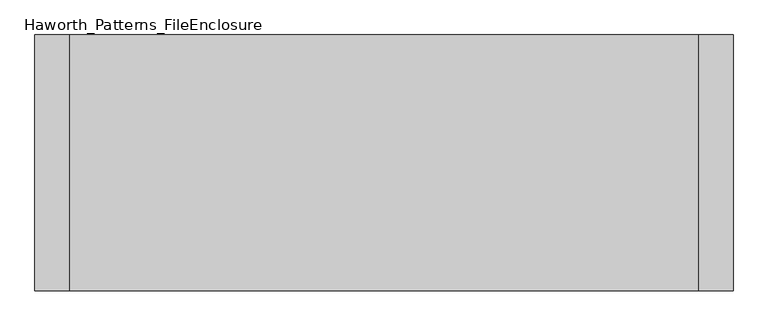
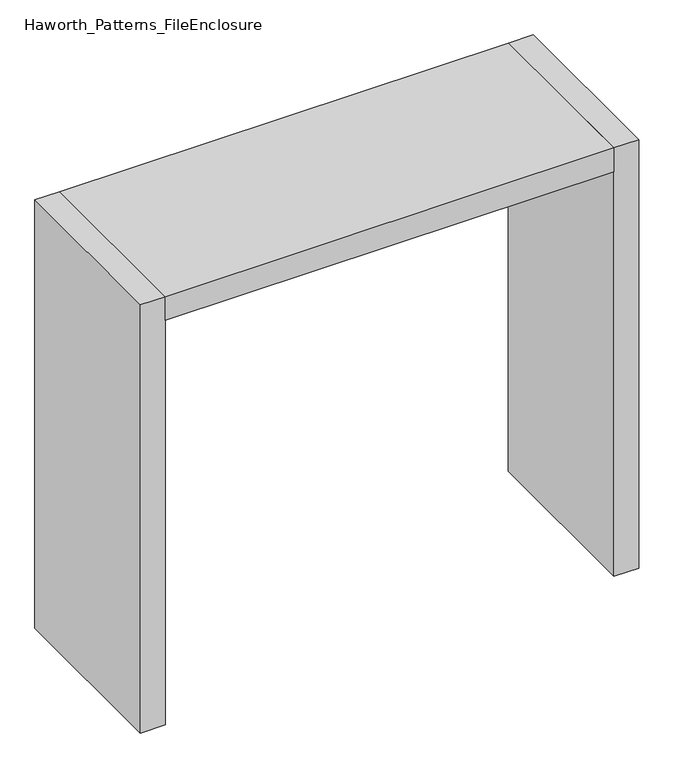
"""IFC4 building model written with IfcOpenShell, lengths in millimetres: furniture geometry, Haworth_Patterns_FileEnclosure."""

from ifc_helpers import new_model, si_unit, frame, origin, origin_with_axes, place, context, project, spatial, polyline, outline, extrude, source, transform, mapped, element, save


def haworth_patterns_fileenclosure_edb67981(model_context):
    return source(origin(), model_context, "Body", "SweptSolid", [
        extrude(outline(polyline([(685.8, 0.0), (685.8, -558.8), (-685.8, -558.8), (-685.8, 0.0), (685.8, 0.0)])), frame((0.0, 0.0, 1308.1), z_axis=(0.0, 0.0, 1.0), x_axis=(1.0, 0.0, 0.0)), (0.0, 0.0, 1.0), 76.2),
        extrude(outline(polyline([(685.8, 0.0), (762.0, 0.0), (762.0, -558.8), (685.8, -558.8), (685.8, 0.0)])), origin_with_axes(), (0.0, 0.0, 1.0), 1384.3),
        extrude(outline(polyline([(-685.8, 0.0), (-685.8, -558.8), (-762.0, -558.8), (-762.0, 0.0), (-685.8, 0.0)])), origin_with_axes(), (0.0, 0.0, 1.0), 1384.3),
    ])


if __name__ == "__main__":
    model = new_model("IFC4")
    model_context = context("Model", 3, world=origin())
    ifc_project = project(units=[si_unit("LENGTHUNIT", "METRE", prefix="MILLI")], contexts=[model_context])
    site = spatial("IfcSite", under=ifc_project)
    building = spatial("IfcBuilding", under=site)
    placement = place(None, origin())
    haworth_patterns_fileenclosure_shape = haworth_patterns_fileenclosure_edb67981(model_context)
    element("IfcFurniture", 1, ObjectType="Haworth_Patterns_FileEnclosure", at=placement, inside=building, context=model_context, shape_type="MappedRepresentation", body=[
        mapped(haworth_patterns_fileenclosure_shape, transform((0.0, 0.0, 0.0), x_axis=(1.0, 0.0, 0.0), y_axis=(0.0, 1.0, 0.0), z_axis=(0.0, 0.0, 1.0))),
    ])
    save(model, "model.ifc")
